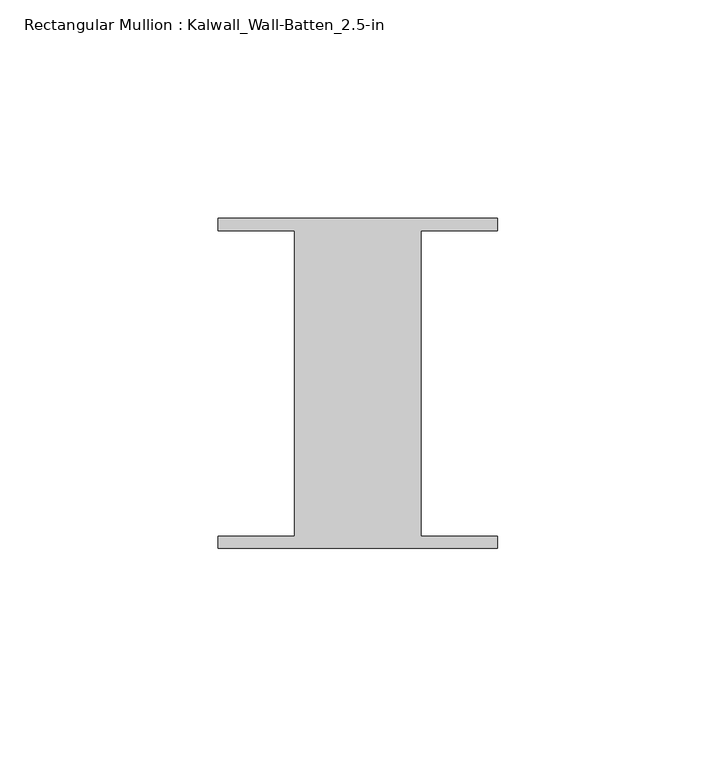
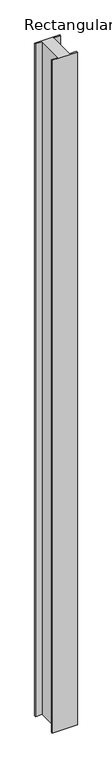
"""IFC4 building model written with IfcOpenShell, lengths in millimetres: member geometry, Rectangular Mullion : Kalwall_Wall-Batten_2.5-in."""

from ifc_helpers import new_model, si_unit, frame, origin, place, context, project, spatial, polyline, outline, extrude, source, transform, mapped, element, save


def rectangular_mullion_kalwall_wall_batten_2_5_in_98e0ffb6(model_context):
    return source(origin(), model_context, "Body", "SweptSolid", [
        extrude(outline(polyline([(-32.0, 36.524), (32.0, 36.524), (32.0, 33.73), (14.5, 33.73), (14.5, -36.27), (32.0, -36.27), (32.0, -39.064), (-32.0, -39.064), (-32.0, -36.27), (-14.5, -36.27), (-14.5, 33.73), (-32.0, 33.73), (-32.0, 36.524)])), frame((0.0, 0.0, -1795.25), z_axis=(0.0, 0.0, 1.0), x_axis=(1.0, 0.0, 0.0)), (0.0, 0.0, 1.0), 1795.25),
    ])


if __name__ == "__main__":
    model = new_model("IFC4")
    model_context = context("Model", 3, world=origin())
    ifc_project = project(units=[si_unit("LENGTHUNIT", "METRE", prefix="MILLI")], contexts=[model_context])
    site = spatial("IfcSite", under=ifc_project)
    building = spatial("IfcBuilding", under=site)
    placement = place(None, origin())
    rectangular_mullion_kalwall_wall_batten_2_5_in_shape = rectangular_mullion_kalwall_wall_batten_2_5_in_98e0ffb6(model_context)
    element("IfcMember", 1, ObjectType="Rectangular Mullion : Kalwall_Wall-Batten_2.5-in", at=placement, inside=building, context=model_context, shape_type="MappedRepresentation", body=[
        mapped(rectangular_mullion_kalwall_wall_batten_2_5_in_shape, transform((0.0, 0.0, 0.0), x_axis=(1.0, 0.0, 0.0), y_axis=(0.0, 1.0, 0.0), z_axis=(0.0, 0.0, 1.0))),
    ])
    save(model, "model.ifc")
